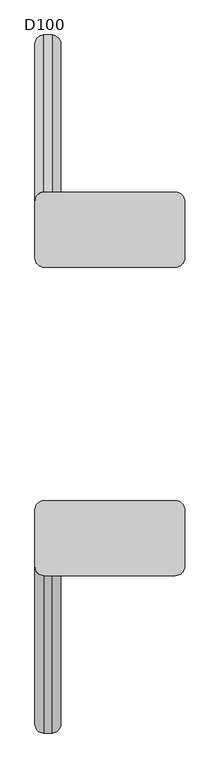
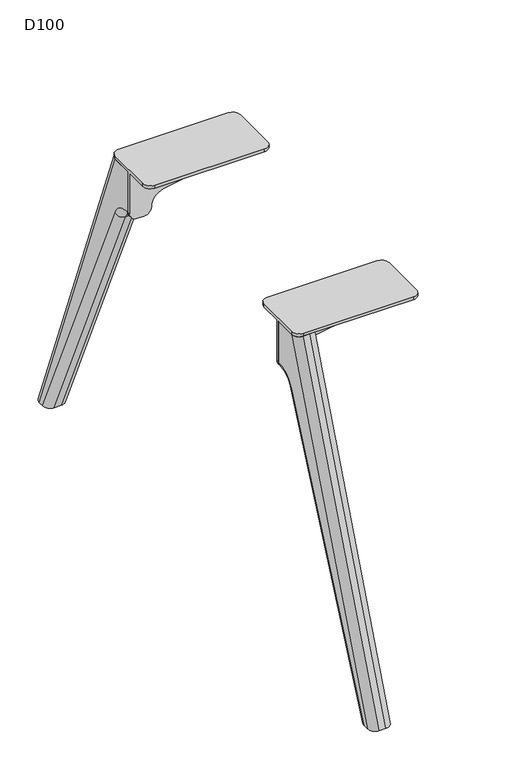
"""IFC4 building model written with IfcOpenShell, lengths in millimetres: furniture geometry, D100."""

from ifc_helpers import new_model, si_unit, point, frame, origin, place, context, project, spatial, polyline, circle_curve, ellipse_curve, trimmed, source, transform, mapped, element, save
from ifc_brep_helpers import plane_surface, cylinder_surface, revolved_surface, advanced_brep


def d100_def01eb9(model_context):
    return source(origin(), model_context, "Body", "AdvancedBrep", [
        advanced_brep(
        [(-1483.0, 202.7236545, 706.0), (-1255.0, 202.7236545, 706.0), (-1239.0, 218.7236545, 706.0), (-1239.0, 316.7236545, 706.0), (-1255.0, 332.7236545, 706.0), (-1483.0, 332.7236545, 706.0), (-1499.0, 316.7236545, 706.0), (-1499.0, 218.7236545, 706.0), (-1499.0, 316.7236545, 700.0), (-1483.0, 332.7236545, 700.0), (-1255.0, 332.7236545, 700.0), (-1239.0, 316.7236545, 700.0), (-1239.0, 270.7236545, 700.0), (-1499.0, 270.7236545, 700.0), (-1483.0, 202.7236545, 700.0), (-1499.0, 218.7236545, 700.0), (-1499.0, 264.7236545, 700.0), (-1239.0, 264.7236545, 700.0), (-1239.0, 218.7236545, 700.0), (-1255.0, 202.7236545, 700.0), (-1499.0, 270.7236545, 611.0), (-1499.0, 264.7236545, 611.0), (-1239.0, 264.7236545, 692.1898324), (-1239.0, 270.7236545, 692.1898324), (-1429.2740174, 270.7236545, 641.5327762), (-1454.0036896, 270.7236545, 611.3326759), (-1469.0, 270.7236545, 596.0), (-1484.0, 270.7236545, 596.0), (-1255.4913675, 270.7236545, 672.5), (-1429.2740174, 264.7236545, 641.5327762), (-1255.4913675, 264.7236545, 672.5), (-1484.0, 264.7236545, 596.0), (-1469.0, 264.7236545, 596.0), (-1454.0036896, 264.7236545, 611.3326759)],
        [
            (0, 1),
            (1, 2, circle_curve(frame((-1255.0, 218.7236545, 706.0), z_axis=(0.0, 0.0, 1.0), x_axis=(1.0, 0.0, 0.0)), 16.0)),
            (2, 3),
            (3, 4, circle_curve(frame((-1255.0, 316.7236545, 706.0), z_axis=(0.0, 0.0, 1.0), x_axis=(1.0, 0.0, 0.0)), 16.0)),
            (4, 5),
            (5, 6, circle_curve(frame((-1483.0, 316.7236545, 706.0), z_axis=(0.0, 0.0, 1.0), x_axis=(1.0, 0.0, 0.0)), 16.0)),
            (6, 7),
            (7, 0, circle_curve(frame((-1483.0, 218.7236545, 706.0), z_axis=(0.0, 0.0, 1.0), x_axis=(1.0, 0.0, 0.0)), 16.0)),
            (8, 9, circle_curve(frame((-1483.0, 316.7236545, 700.0), z_axis=(0.0, 0.0, -1.0), x_axis=(1.0, 0.0, 0.0)), 16.0)),
            (9, 10),
            (10, 11, circle_curve(frame((-1255.0, 316.7236545, 700.0), z_axis=(0.0, 0.0, -1.0), x_axis=(1.0, 0.0, 0.0)), 16.0)),
            (11, 12),
            (12, 13),
            (13, 8),
            (14, 15, circle_curve(frame((-1483.0, 218.7236545, 700.0), z_axis=(0.0, 0.0, -1.0), x_axis=(1.0, 0.0, 0.0)), 16.0)),
            (15, 16),
            (16, 17),
            (17, 18),
            (18, 19, circle_curve(frame((-1255.0, 218.7236545, 700.0), z_axis=(0.0, 0.0, -1.0), x_axis=(1.0, 0.0, 0.0)), 16.0)),
            (19, 14),
            (7, 15),
            (14, 0),
            (6, 8),
            (13, 20),
            (20, 21),
            (21, 16),
            (5, 9),
            (4, 10),
            (3, 11),
            (2, 18),
            (17, 22),
            (22, 23),
            (23, 12),
            (1, 19),
            (24, 25, circle_curve(frame((-1424.0110687, 270.7236545, 611.9980276), z_axis=(0.0, -1.0, 0.0), x_axis=(-1.0, 0.0, 0.0)), 30.0)),
            (25, 26, circle_curve(frame((-1469.0, 270.7236545, 611.0), z_axis=(0.0, 1.0, 0.0), x_axis=(-1.0, 0.0, 0.0)), 15.0)),
            (26, 27),
            (27, 20, circle_curve(frame((-1484.0, 270.7236545, 611.0), z_axis=(0.0, 1.0, 0.0), x_axis=(-1.0, 0.0, 0.0)), 15.0)),
            (23, 28, circle_curve(frame((-1259.0, 270.7236545, 692.1898324), z_axis=(0.0, 1.0, 0.0), x_axis=(-1.0, 0.0, 0.0)), 20.0)),
            (28, 24),
            (29, 30),
            (30, 22, circle_curve(frame((-1259.0, 264.7236545, 692.1898324), z_axis=(0.0, -1.0, 0.0), x_axis=(-1.0, 0.0, 0.0)), 20.0)),
            (21, 31, circle_curve(frame((-1484.0, 264.7236545, 611.0), z_axis=(0.0, -1.0, 0.0), x_axis=(-1.0, 0.0, 0.0)), 15.0)),
            (31, 32),
            (32, 33, circle_curve(frame((-1469.0, 264.7236545, 611.0), z_axis=(0.0, -1.0, 0.0), x_axis=(-1.0, 0.0, 0.0)), 15.0)),
            (33, 29, circle_curve(frame((-1424.0110687, 264.7236545, 611.9980276), z_axis=(0.0, 1.0, 0.0), x_axis=(-1.0, 0.0, 0.0)), 30.0)),
            (24, 29),
            (33, 25),
            (30, 28),
            (32, 26),
            (31, 27),
        ],
        [
            plane_surface(frame((-1255.0, 202.7236545, 706.0), z_axis=(0.0, 0.0, 1.0), x_axis=(1.0, 0.0, 0.0))),
            plane_surface(frame((-1255.0, 202.7236545, 700.0), z_axis=(0.0, 0.0, -1.0), x_axis=(-1.0, 0.0, 0.0))),
            cylinder_surface(frame((-1483.0, 218.7236545, 700.0), z_axis=(0.0, 0.0, 1.0), x_axis=(1.0, 0.0, 0.0)), 16.0),
            plane_surface(frame((-1499.0, 316.7236545, 706.0), z_axis=(-1.0, 0.0, 0.0), x_axis=(0.0, 0.0, -1.0))),
            cylinder_surface(frame((-1483.0, 316.7236545, 700.0), z_axis=(0.0, 0.0, 1.0), x_axis=(1.0, 0.0, 0.0)), 16.0),
            plane_surface(frame((-1255.0, 332.7236545, 706.0), z_axis=(0.0, 1.0, 0.0), x_axis=(0.0, 0.0, -1.0))),
            cylinder_surface(frame((-1255.0, 316.7236545, 700.0), z_axis=(0.0, 0.0, 1.0), x_axis=(1.0, 0.0, 0.0)), 16.0),
            plane_surface(frame((-1239.0, 218.7236545, 706.0), z_axis=(1.0, 0.0, 0.0), x_axis=(0.0, 0.0, -1.0))),
            cylinder_surface(frame((-1255.0, 218.7236545, 700.0), z_axis=(0.0, 0.0, 1.0), x_axis=(1.0, 0.0, 0.0)), 16.0),
            plane_surface(frame((-1483.0, 202.7236545, 706.0), z_axis=(0.0, -1.0, 0.0), x_axis=(0.0, 0.0, -1.0))),
            plane_surface(frame((-1454.0110687, 270.7236545, 611.9980276), z_axis=(0.0, 1.0, 0.0), x_axis=(0.0, 0.0, -1.0))),
            plane_surface(frame((-1454.0110687, 264.7236545, 611.9980276), z_axis=(0.0, -1.0, 0.0), x_axis=(0.0, 0.0, 1.0))),
            revolved_surface(polyline([(-1454.0110687, 264.7236545, 611.9980276), (-1454.0110687, 270.7236545, 611.9980276)]), (-1424.0110687, 264.7236545, 611.9980276), (0.0, -1.0, 0.0)),
            cylinder_surface(frame((-1259.0, 264.7236545, 692.1898324), z_axis=(0.0, 1.0, 0.0), x_axis=(-1.0, 0.0, 0.0)), 20.0),
            plane_surface(frame((-1255.4913675, 270.7236545, 672.5), z_axis=(0.17543162299465065, 0.0, -0.9844916178685641), x_axis=(0.0, -1.0, 0.0))),
            cylinder_surface(frame((-1469.0, 264.7236545, 611.0), z_axis=(0.0, 1.0, 0.0), x_axis=(-1.0, 0.0, 0.0)), 15.0),
            plane_surface(frame((-1469.0, 270.7236545, 596.0), z_axis=(0.0, 0.0, -1.0), x_axis=(0.0, -1.0, 0.0))),
            cylinder_surface(frame((-1484.0, 264.7236545, 611.0), z_axis=(0.0, 1.0, 0.0), x_axis=(-1.0, 0.0, 0.0)), 15.0),
        ],
        [
            (0, [[1, 2, 3, 4, 5, 6, 7, 8]]),
            (1, [[9, 10, 11, 12, 13, 14]]),
            (1, [[15, 16, 17, 18, 19, 20]]),
            (2, [[-8, 21, -15, 22]]),
            (3, [[-21, -7, 23, -14, 24, 25, 26, -16]]),
            (4, [[-6, 27, -9, -23]]),
            (5, [[-5, 28, -10, -27]]),
            (6, [[-4, 29, -11, -28]]),
            (7, [[-29, -3, 30, -18, 31, 32, 33, -12]]),
            (8, [[-2, 34, -19, -30]]),
            (9, [[-1, -22, -20, -34]]),
            (10, [[35, 36, 37, 38, -24, -13, -33, 39, 40]]),
            (11, [[41, 42, -31, -17, -26, 43, 44, 45, 46]]),
            (12, [[-35, 47, -46, 48]]),
            (13, [[-39, -32, -42, 49]]),
            (14, [[-40, -49, -41, -47]]),
            (15, [[-36, -48, -45, 50]]),
            (16, [[-37, -50, -44, 51]]),
            (17, [[-38, -51, -43, -25]]),
        ],
    ),
        advanced_brep(
        [(-1454.0, 316.6217076, 700.0), (-1454.0, 270.7236545, 700.0), (-1454.0, 270.7236545, 611.0), (-1454.0, 272.7758244, 611.0), (-1454.0, 319.3435487, 580.82862), (-1454.0, 579.4203292, 0.0), (-1454.0, 589.8218305, 0.0), (-1499.0, 270.7236545, 700.0), (-1499.0, 316.6217076, 700.0), (-1499.0, 589.8218305, 0.0), (-1499.0, 579.4203292, 0.0), (-1499.0, 319.3435487, 580.82862), (-1499.0, 272.7758244, 611.0), (-1499.0, 270.7236545, 611.0), (-1469.0, 332.7236545, 700.0), (-1484.0, 332.7236545, 700.0), (-1469.0, 605.9237773, 0.0), (-1484.0, 605.9237773, 0.0), (-1469.0, 562.9852524, 0.0), (-1484.0, 562.9852524, 0.0), (-1469.0, 305.6533176, 574.6985653), (-1484.0, 305.6533176, 574.6985653), (-1469.0, 272.7758244, 596.0), (-1484.0, 272.7758244, 596.0), (-1469.0, 270.7236545, 596.0), (-1484.0, 270.7236545, 596.0)],
        [
            (0, 1),
            (1, 2),
            (2, 3),
            (3, 4, circle_curve(frame((-1454.0, 272.7758244, 559.9770583), z_axis=(-1.0, 0.0, 0.0), x_axis=(0.0, 0.0, 1.0)), 51.0229417)),
            (4, 5),
            (5, 6),
            (6, 0),
            (7, 8),
            (8, 9),
            (9, 10),
            (10, 11),
            (11, 12, circle_curve(frame((-1499.0, 272.7758244, 559.9770583), z_axis=(1.0, 0.0, 0.0), x_axis=(0.0, 0.0, 1.0)), 51.0229417)),
            (12, 13),
            (13, 7),
            (7, 1),
            (0, 14, ellipse_curve(frame((-1469.0, 316.6217076, 700.0), z_axis=(0.0, 0.0, 1.0), x_axis=(0.0, -1.0, 0.0)), 16.1019468, 15.0)),
            (14, 15),
            (15, 8, ellipse_curve(frame((-1484.0, 316.6217076, 700.0), z_axis=(0.0, 0.0, 1.0), x_axis=(0.0, -1.0, 0.0)), 16.1019468, 15.0)),
            (14, 16),
            (16, 17),
            (17, 15),
            (16, 6, ellipse_curve(frame((-1469.0, 589.8218305, 0.0), z_axis=(0.0, 0.0, -1.0), x_axis=(0.0, -0.9999999999999999, 0.0)), 16.1019468, 15.0)),
            (5, 18, ellipse_curve(frame((-1469.0, 579.4203292, 0.0), z_axis=(0.0, 0.0, -1.0), x_axis=(0.0, 1.0, 0.0)), 16.4350768, 15.0)),
            (18, 19),
            (19, 10, ellipse_curve(frame((-1484.0, 579.4203292, 0.0), z_axis=(0.0, 0.0, -1.0), x_axis=(0.0, 1.0, 0.0)), 16.4350768, 15.0)),
            (9, 17, ellipse_curve(frame((-1484.0, 589.8218305, 0.0), z_axis=(0.0, 0.0, -1.0), x_axis=(0.0, -0.9999999999999999, 0.0)), 16.1019468, 15.0)),
            (18, 20),
            (20, 21),
            (21, 19),
            (20, 22, circle_curve(frame((-1469.0, 272.7758244, 559.9770583), z_axis=(1.0, 0.0, 0.0), x_axis=(0.0, -1.0, 0.0)), 36.0229417)),
            (22, 23),
            (23, 21, circle_curve(frame((-1484.0, 272.7758244, 559.9770583), z_axis=(-1.0, 0.0, 0.0), x_axis=(0.0, -1.0, 0.0)), 36.0229417)),
            (22, 24),
            (24, 25),
            (25, 23),
            (13, 25, circle_curve(frame((-1484.0, 270.7236545, 611.0), z_axis=(0.0, -1.0, 0.0), x_axis=(0.0, 0.0, 1.0)), 15.0)),
            (24, 2, circle_curve(frame((-1469.0, 270.7236545, 611.0), z_axis=(0.0, -1.0, 0.0), x_axis=(0.0, 0.0, 1.0)), 15.0)),
            (12, 23, circle_curve(frame((-1484.0, 272.7758244, 611.0), z_axis=(0.0, -1.0, 0.0), x_axis=(0.0, 0.0, 1.0)), 15.0)),
            (22, 3, circle_curve(frame((-1469.0, 272.7758244, 611.0), z_axis=(0.0, -1.0, 0.0), x_axis=(0.0, 0.0, 1.0)), 15.0)),
            (21, 11, circle_curve(frame((-1484.0, 319.3435487, 580.82862), z_axis=(0.0, 0.4086703164969099, -0.9126820763082375), x_axis=(0.0, 0.9126820763082375, 0.4086703164969099)), 15.0)),
            (4, 20, circle_curve(frame((-1469.0, 319.3435487, 580.82862), z_axis=(0.0, 0.4086703164969099, -0.9126820763082375), x_axis=(0.0, 0.9126820763082375, 0.4086703164969099)), 15.0)),
        ],
        [
            plane_surface(frame((-1454.0, 270.7236545, 596.0), z_axis=(1.0, 0.0, 0.0), x_axis=(0.0, 0.0, -1.0))),
            plane_surface(frame((-1499.0, 270.7236545, 596.0), z_axis=(-1.0, 0.0, 0.0), x_axis=(0.0, 0.0, 1.0))),
            plane_surface(frame((-1454.0, 332.7236545, 700.0), z_axis=(0.0, 0.0, 1.0), x_axis=(-1.0, 0.0, 0.0))),
            plane_surface(frame((-1454.0, 605.9237773, 0.0), z_axis=(0.0, 0.9315643722265751, 0.3635764299265108), x_axis=(-1.0, 0.0, 0.0))),
            plane_surface(frame((-1454.0, 562.9852524, 0.0), z_axis=(0.0, 0.0, -1.0), x_axis=(-1.0, 0.0, 0.0))),
            plane_surface(frame((-1454.0, 305.6533176, 574.6985653), z_axis=(0.0, -0.9126820763082374, -0.40867031649691016), x_axis=(-1.0, 0.0, 0.0))),
            revolved_surface(polyline([(-1484.0, 236.7528827, 559.9770583), (-1469.0, 236.7528827, 559.9770583)]), (-1499.0, 272.7758244, 559.9770583), (-1.0, 0.0, 0.0)),
            plane_surface(frame((-1454.0, 270.7236545, 596.0), z_axis=(0.0, 0.0, -1.0), x_axis=(-1.0, 0.0, 0.0))),
            plane_surface(frame((-1454.0, 270.7236545, 700.0), z_axis=(0.0, -1.0, 0.0), x_axis=(-1.0, 0.0, 0.0))),
            cylinder_surface(frame((-1484.0, 599.6644228, -25.2189296), z_axis=(0.0, -0.3635764299265101, 0.9315643722265754), x_axis=(0.0, -0.9315643722265754, -0.3635764299265101)), 15.0),
            cylinder_surface(frame((-1469.0, 599.6644228, -25.2189296), z_axis=(0.0, -0.3635764299265101, 0.9315643722265754), x_axis=(0.0, -0.9315643722265754, -0.3635764299265101)), 15.0),
            cylinder_surface(frame((-1484.0, -272.7758244, 611.0), z_axis=(0.0, 1.0, 0.0), x_axis=(0.0, 0.0, 1.0)), 15.0),
            cylinder_surface(frame((-1469.0, -272.7758244, 611.0), z_axis=(0.0, 1.0, 0.0), x_axis=(0.0, 0.0, 1.0)), 15.0),
            cylinder_surface(frame((-1484.0, 319.3435487, 580.82862), z_axis=(0.0, 0.4086703164969099, -0.9126820763082375), x_axis=(0.0, 0.9126820763082375, 0.4086703164969099)), 15.0),
            cylinder_surface(frame((-1469.0, 319.3435487, 580.82862), z_axis=(0.0, 0.4086703164969099, -0.9126820763082375), x_axis=(0.0, 0.9126820763082375, 0.4086703164969099)), 15.0),
            revolved_surface(trimmed(ellipse_curve(frame((-1484.0, 272.7758244, 611.0), z_axis=(0.0, -1.0, 0.0), x_axis=(0.0, 0.0, 1.0)), 15.0, 15.0), [point((-1499.0, 272.7758244, 611.0))], [point((-1484.0, 272.7758244, 596.0))], True, "CARTESIAN"), (-717.0, 272.7758244, 559.9770583), (-1.0, 0.0, 0.0)),
            revolved_surface(trimmed(ellipse_curve(frame((-1469.0, 272.7758244, 611.0), z_axis=(0.0, -1.0, 0.0), x_axis=(0.0, 0.0, 1.0)), 15.0, 15.0), [point((-1469.0, 272.7758244, 596.0))], [point((-1454.0, 272.7758244, 611.0))], True, "CARTESIAN"), (-717.0, 272.7758244, 559.9770583), (-1.0, 0.0, 0.0)),
        ],
        [
            (0, [[1, 2, 3, 4, 5, 6, 7]]),
            (1, [[8, 9, 10, 11, 12, 13, 14]]),
            (2, [[15, -1, 16, 17, 18, -8]]),
            (3, [[-17, 19, 20, 21]]),
            (4, [[-20, 22, -6, 23, 24, 25, -10, 26]]),
            (5, [[-24, 27, 28, 29]]),
            (6, [[-28, 30, 31, 32]]),
            (7, [[-31, 33, 34, 35]]),
            (8, [[-15, -14, 36, -34, 37, -2]]),
            (9, [[-9, -18, -21, -26]]),
            (10, [[-7, -22, -19, -16]]),
            (11, [[38, -35, -36, -13]]),
            (12, [[39, -3, -37, -33]]),
            (13, [[40, -11, -25, -29]]),
            (14, [[41, -27, -23, -5]]),
            (15, [[-38, -12, -40, -32]]),
            (16, [[-39, -30, -41, -4]]),
        ],
    ),
        advanced_brep(
        [(-1429.2740174, -270.7236545, 641.5327762), (-1255.4913675, -270.7236545, 672.5), (-1239.0, -270.7236545, 692.1898324), (-1239.0, -270.7236545, 700.0), (-1499.0, -270.7236545, 700.0), (-1499.0, -270.7236545, 611.0), (-1484.0, -270.7236545, 596.0), (-1469.0, -270.7236545, 596.0), (-1454.0036896, -270.7236545, 611.3326759), (-1429.2740174, -264.7236545, 641.5327762), (-1454.0036896, -264.7236545, 611.3326759), (-1469.0, -264.7236545, 596.0), (-1484.0, -264.7236545, 596.0), (-1499.0, -264.7236545, 611.0), (-1499.0, -264.7236545, 700.0), (-1239.0, -264.7236545, 700.0), (-1239.0, -264.7236545, 692.1898324), (-1255.4913675, -264.7236545, 672.5), (-1499.0, -218.7236545, 706.0), (-1499.0, -218.7236545, 700.0), (-1499.0, -316.7236545, 700.0), (-1499.0, -316.7236545, 706.0), (-1483.0, -332.7236545, 706.0), (-1255.0, -332.7236545, 706.0), (-1239.0, -316.7236545, 706.0), (-1239.0, -218.7236545, 706.0), (-1255.0, -202.7236545, 706.0), (-1483.0, -202.7236545, 706.0), (-1239.0, -316.7236545, 700.0), (-1239.0, -218.7236545, 700.0), (-1483.0, -202.7236545, 700.0), (-1255.0, -202.7236545, 700.0), (-1255.0, -332.7236545, 700.0), (-1483.0, -332.7236545, 700.0)],
        [
            (0, 1),
            (1, 2, circle_curve(frame((-1259.0, -270.7236545, 692.1898324), z_axis=(0.0, -1.0, 0.0), x_axis=(-1.0, 0.0, 0.0)), 20.0)),
            (2, 3),
            (3, 4),
            (4, 5),
            (5, 6, circle_curve(frame((-1484.0, -270.7236545, 611.0), z_axis=(0.0, -1.0, 0.0), x_axis=(-1.0, 0.0, 0.0)), 15.0)),
            (6, 7),
            (7, 8, circle_curve(frame((-1469.0, -270.7236545, 611.0), z_axis=(0.0, -1.0, 0.0), x_axis=(-1.0, 0.0, 0.0)), 15.0)),
            (8, 0, circle_curve(frame((-1424.0110687, -270.7236545, 611.9980276), z_axis=(0.0, 1.0, 0.0), x_axis=(-1.0, 0.0, 0.0)), 30.0)),
            (9, 10, circle_curve(frame((-1424.0110687, -264.7236545, 611.9980276), z_axis=(0.0, -1.0, 0.0), x_axis=(-1.0, 0.0, 0.0)), 30.0)),
            (10, 11, circle_curve(frame((-1469.0, -264.7236545, 611.0), z_axis=(0.0, 1.0, 0.0), x_axis=(-1.0, 0.0, 0.0)), 15.0)),
            (11, 12),
            (12, 13, circle_curve(frame((-1484.0, -264.7236545, 611.0), z_axis=(0.0, 1.0, 0.0), x_axis=(-1.0, 0.0, 0.0)), 15.0)),
            (13, 14),
            (14, 15),
            (15, 16),
            (16, 17, circle_curve(frame((-1259.0, -264.7236545, 692.1898324), z_axis=(0.0, 1.0, 0.0), x_axis=(-1.0, 0.0, 0.0)), 20.0)),
            (17, 9),
            (8, 10),
            (9, 0),
            (18, 19),
            (19, 14),
            (13, 5),
            (4, 20),
            (20, 21),
            (21, 18),
            (21, 22, circle_curve(frame((-1483.0, -316.7236545, 706.0), z_axis=(0.0, 0.0, 1.0), x_axis=(1.0, 0.0, 0.0)), 16.0)),
            (22, 23),
            (23, 24, circle_curve(frame((-1255.0, -316.7236545, 706.0), z_axis=(0.0, 0.0, 1.0), x_axis=(1.0, 0.0, 0.0)), 16.0)),
            (24, 25),
            (25, 26, circle_curve(frame((-1255.0, -218.7236545, 706.0), z_axis=(0.0, 0.0, 1.0), x_axis=(1.0, 0.0, 0.0)), 16.0)),
            (26, 27),
            (27, 18, circle_curve(frame((-1483.0, -218.7236545, 706.0), z_axis=(0.0, 0.0, 1.0), x_axis=(1.0, 0.0, 0.0)), 16.0)),
            (24, 28),
            (28, 3),
            (2, 16),
            (15, 29),
            (29, 25),
            (1, 17),
            (7, 11),
            (6, 12),
            (30, 31),
            (31, 29, circle_curve(frame((-1255.0, -218.7236545, 700.0), z_axis=(0.0, 0.0, -1.0), x_axis=(1.0, 0.0, 0.0)), 16.0)),
            (19, 30, circle_curve(frame((-1483.0, -218.7236545, 700.0), z_axis=(0.0, 0.0, -1.0), x_axis=(1.0, 0.0, 0.0)), 16.0)),
            (28, 32, circle_curve(frame((-1255.0, -316.7236545, 700.0), z_axis=(0.0, 0.0, -1.0), x_axis=(1.0, 0.0, 0.0)), 16.0)),
            (32, 33),
            (33, 20, circle_curve(frame((-1483.0, -316.7236545, 700.0), z_axis=(0.0, 0.0, -1.0), x_axis=(1.0, 0.0, 0.0)), 16.0)),
            (27, 30),
            (33, 22),
            (32, 23),
            (31, 26),
        ],
        [
            plane_surface(frame((-1255.4913675, -270.7236545, 672.5), z_axis=(0.0, -1.0, 0.0), x_axis=(0.9844916178685641, 0.0, 0.17543162299465065))),
            plane_surface(frame((-1255.4913675, -264.7236545, 672.5), z_axis=(0.0, 1.0, 0.0), x_axis=(-0.9844916178685641, 0.0, -0.17543162299465065))),
            revolved_surface(polyline([(-1454.0110687, -264.7236545, 611.9980276), (-1454.0110687, -270.7236545, 611.9980276)]), (-1424.0110687, -264.7236545, 611.9980276), (0.0, 1.0, 0.0)),
            plane_surface(frame((-1499.0, -270.7236545, 706.0), z_axis=(-1.0, 0.0, 0.0), x_axis=(0.0, 1.0, 0.0))),
            plane_surface(frame((-1239.0, -270.7236545, 706.0), z_axis=(0.0, 0.0, 1.0), x_axis=(0.0, 1.0, 0.0))),
            plane_surface(frame((-1239.0, -270.7236545, 692.1898324), z_axis=(1.0, 0.0, 0.0), x_axis=(0.0, 1.0, 0.0))),
            cylinder_surface(frame((-1259.0, -264.7236545, 692.1898324), z_axis=(0.0, -1.0, 0.0), x_axis=(-1.0, 0.0, 0.0)), 20.0),
            plane_surface(frame((-1429.2740174, -270.7236545, 641.5327762), z_axis=(0.17543162299465065, 0.0, -0.9844916178685641), x_axis=(0.0, 1.0, 0.0))),
            cylinder_surface(frame((-1469.0, -264.7236545, 611.0), z_axis=(0.0, -1.0, 0.0), x_axis=(-1.0, 0.0, 0.0)), 15.0),
            plane_surface(frame((-1484.0, -270.7236545, 596.0), z_axis=(0.0, 0.0, -1.0), x_axis=(0.0, 1.0, 0.0))),
            cylinder_surface(frame((-1484.0, -264.7236545, 611.0), z_axis=(0.0, -1.0, 0.0), x_axis=(-1.0, 0.0, 0.0)), 15.0),
            plane_surface(frame((-1467.0, -218.7236545, 700.0), z_axis=(0.0, 0.0, -1.0), x_axis=(0.0, -1.0, 0.0))),
            cylinder_surface(frame((-1483.0, -218.7236545, 700.0), z_axis=(0.0, 0.0, 1.0), x_axis=(1.0, 0.0, 0.0)), 16.0),
            cylinder_surface(frame((-1483.0, -316.7236545, 700.0), z_axis=(0.0, 0.0, 1.0), x_axis=(1.0, 0.0, 0.0)), 16.0),
            plane_surface(frame((-1483.0, -332.7236545, 706.0), z_axis=(0.0, -1.0, 0.0), x_axis=(0.0, 0.0, -1.0))),
            cylinder_surface(frame((-1255.0, -316.7236545, 700.0), z_axis=(0.0, 0.0, 1.0), x_axis=(1.0, 0.0, 0.0)), 16.0),
            cylinder_surface(frame((-1255.0, -218.7236545, 700.0), z_axis=(0.0, 0.0, 1.0), x_axis=(1.0, 0.0, 0.0)), 16.0),
            plane_surface(frame((-1255.0, -202.7236545, 706.0), z_axis=(0.0, 1.0, 0.0), x_axis=(0.0, 0.0, -1.0))),
        ],
        [
            (0, [[1, 2, 3, 4, 5, 6, 7, 8, 9]]),
            (1, [[10, 11, 12, 13, 14, 15, 16, 17, 18]]),
            (2, [[-9, 19, -10, 20]]),
            (3, [[21, 22, -14, 23, -5, 24, 25, 26]]),
            (4, [[-26, 27, 28, 29, 30, 31, 32, 33]]),
            (5, [[-30, 34, 35, -3, 36, -16, 37, 38]]),
            (6, [[-2, 39, -17, -36]]),
            (7, [[-1, -20, -18, -39]]),
            (8, [[-8, 40, -11, -19]]),
            (9, [[-7, 41, -12, -40]]),
            (10, [[-6, -23, -13, -41]]),
            (11, [[42, 43, -37, -15, -22, 44]]),
            (11, [[45, 46, 47, -24, -4, -35]]),
            (12, [[-33, 48, -44, -21]]),
            (13, [[-27, -25, -47, 49]]),
            (14, [[-28, -49, -46, 50]]),
            (15, [[-29, -50, -45, -34]]),
            (16, [[-31, -38, -43, 51]]),
            (17, [[-32, -51, -42, -48]]),
        ],
    ),
        advanced_brep(
        [(-1454.0, -270.7236545, 700.0), (-1454.0, -316.6217076, 700.0), (-1454.0, -589.8218305, 0.0), (-1454.0, -579.4203292, 0.0), (-1454.0, -319.3435487, 580.82862), (-1454.0, -272.7758244, 611.0), (-1454.0, -270.7236545, 611.0), (-1499.0, -316.6217076, 700.0), (-1499.0, -270.7236545, 700.0), (-1499.0, -270.7236545, 611.0), (-1499.0, -272.7758244, 611.0), (-1499.0, -319.3435487, 580.82862), (-1499.0, -579.4203292, 0.0), (-1499.0, -589.8218305, 0.0), (-1484.0, -332.7236545, 700.0), (-1469.0, -332.7236545, 700.0), (-1484.0, -605.9237773, 0.0), (-1469.0, -605.9237773, 0.0), (-1484.0, -562.9852524, 0.0), (-1469.0, -562.9852524, 0.0), (-1484.0, -305.6533176, 574.6985653), (-1469.0, -305.6533176, 574.6985653), (-1484.0, -272.7758244, 596.0), (-1469.0, -272.7758244, 596.0), (-1484.0, -270.7236545, 596.0), (-1469.0, -270.7236545, 596.0)],
        [
            (0, 1),
            (1, 2),
            (2, 3),
            (3, 4),
            (4, 5, circle_curve(frame((-1454.0, -272.7758244, 559.9770583), z_axis=(-1.0, 0.0, 0.0), x_axis=(0.0, -0.9126820763082378, 0.4086703164969091)), 51.0229417)),
            (5, 6),
            (6, 0),
            (7, 8),
            (8, 9),
            (9, 10),
            (10, 11, circle_curve(frame((-1499.0, -272.7758244, 559.9770583), z_axis=(1.0, 0.0, 0.0), x_axis=(0.0, -0.9126820763082378, 0.4086703164969091)), 51.0229417)),
            (11, 12),
            (12, 13),
            (13, 7),
            (0, 8),
            (7, 14, ellipse_curve(frame((-1484.0, -316.6217076, 700.0), z_axis=(0.0, 0.0, 1.0), x_axis=(0.0, 1.0, 0.0)), 16.1019468, 15.0)),
            (14, 15),
            (15, 1, ellipse_curve(frame((-1469.0, -316.6217076, 700.0), z_axis=(0.0, 0.0, 1.0), x_axis=(0.0, 1.0, 0.0)), 16.1019468, 15.0)),
            (13, 16, ellipse_curve(frame((-1484.0, -589.8218305, 0.0), z_axis=(0.0, 0.0, 1.0), x_axis=(0.0, 0.9999999999999999, 0.0)), 16.1019468, 15.0)),
            (16, 14),
            (15, 17),
            (17, 2, ellipse_curve(frame((-1469.0, -589.8218305, 0.0), z_axis=(0.0, 0.0, 1.0), x_axis=(0.0, 0.9999999999999999, 0.0)), 16.1019468, 15.0)),
            (16, 17),
            (12, 18, ellipse_curve(frame((-1484.0, -579.4203292, 0.0), z_axis=(0.0, 0.0, -1.0), x_axis=(0.0, 1.0, 0.0)), 16.4350768, 15.0)),
            (18, 19),
            (19, 3, ellipse_curve(frame((-1469.0, -579.4203292, 0.0), z_axis=(0.0, 0.0, -1.0), x_axis=(0.0, 1.0, 0.0)), 16.4350768, 15.0)),
            (18, 20),
            (20, 21),
            (21, 19),
            (20, 22, circle_curve(frame((-1484.0, -272.7758244, 559.9770583), z_axis=(-1.0, 0.0, 0.0), x_axis=(0.0, 1.0, 0.0)), 36.0229417)),
            (22, 23),
            (23, 21, circle_curve(frame((-1469.0, -272.7758244, 559.9770583), z_axis=(1.0, 0.0, 0.0), x_axis=(0.0, 1.0, 0.0)), 36.0229417)),
            (22, 24),
            (24, 25),
            (25, 23),
            (6, 25, circle_curve(frame((-1469.0, -270.7236545, 611.0), z_axis=(0.0, 1.0, 0.0), x_axis=(0.0, 0.0, 1.0)), 15.0)),
            (24, 9, circle_curve(frame((-1484.0, -270.7236545, 611.0), z_axis=(0.0, 1.0, 0.0), x_axis=(0.0, 0.0, 1.0)), 15.0)),
            (11, 20, circle_curve(frame((-1484.0, -319.3435487, 580.82862), z_axis=(0.0, -0.40867031649690977, -0.9126820763082376), x_axis=(0.0, -0.9126820763082376, 0.40867031649690977)), 15.0)),
            (21, 4, circle_curve(frame((-1469.0, -319.3435487, 580.82862), z_axis=(0.0, -0.40867031649690977, -0.9126820763082376), x_axis=(0.0, -0.9126820763082376, 0.40867031649690977)), 15.0)),
            (22, 10, circle_curve(frame((-1484.0, -272.7758244, 611.0), z_axis=(0.0, 1.0, 0.0), x_axis=(0.0, 0.0, 1.0)), 15.0)),
            (5, 23, circle_curve(frame((-1469.0, -272.7758244, 611.0), z_axis=(0.0, 1.0, 0.0), x_axis=(0.0, 0.0, 1.0)), 15.0)),
        ],
        [
            plane_surface(frame((-1454.0, -291.5455549, 700.0), z_axis=(1.0, 0.0, 0.0), x_axis=(0.0, -1.0, 0.0))),
            plane_surface(frame((-1499.0, -291.5455549, 700.0), z_axis=(-1.0, 0.0, 0.0), x_axis=(0.0, 1.0, 0.0))),
            plane_surface(frame((-1454.0, -270.7236545, 700.0), z_axis=(0.0, 0.0, 1.0), x_axis=(-1.0, 0.0, 0.0))),
            cylinder_surface(frame((-1484.0, -599.6644228, -25.2189296), z_axis=(0.0, 0.3635764299265101, 0.9315643722265754), x_axis=(0.0, -0.9315643722265754, 0.3635764299265101)), 15.0),
            cylinder_surface(frame((-1469.0, -599.6644228, -25.2189296), z_axis=(0.0, 0.3635764299265101, 0.9315643722265754), x_axis=(0.0, -0.9315643722265754, 0.3635764299265101)), 15.0),
            plane_surface(frame((-1454.0, -332.7236545, 700.0), z_axis=(0.0, -0.9315643722265751, 0.3635764299265108), x_axis=(-1.0, 0.0, 0.0))),
            plane_surface(frame((-1454.0, -605.9237773, 0.0), z_axis=(0.0, 0.0, -1.0), x_axis=(-1.0, 0.0, 0.0))),
            plane_surface(frame((-1454.0, -562.9852524, 0.0), z_axis=(0.0, 0.9126820763082374, -0.40867031649691016), x_axis=(-1.0, 0.0, 0.0))),
            revolved_surface(polyline([(-1484.0, -236.7528827, 559.9770583), (-1469.0, -236.7528827, 559.9770583)]), (-1499.0, -272.7758244, 559.9770583), (-1.0, 0.0, 0.0)),
            plane_surface(frame((-1454.0, -272.7758244, 596.0), z_axis=(0.0, 0.0, -1.0), x_axis=(-1.0, 0.0, 0.0))),
            plane_surface(frame((-1454.0, -270.7236545, 596.0), z_axis=(0.0, 1.0, 0.0), x_axis=(-1.0, 0.0, 0.0))),
            cylinder_surface(frame((-1484.0, -584.7803586, -11.9705362), z_axis=(0.0, 0.40867031649690977, 0.9126820763082376), x_axis=(0.0, -0.9126820763082376, 0.40867031649690977)), 15.0),
            cylinder_surface(frame((-1469.0, -584.7803586, -11.9705362), z_axis=(0.0, 0.40867031649690977, 0.9126820763082376), x_axis=(0.0, -0.9126820763082376, 0.40867031649690977)), 15.0),
            cylinder_surface(frame((-1484.0, -272.7758244, 611.0), z_axis=(0.0, 1.0, 0.0), x_axis=(0.0, 0.0, 1.0)), 15.0),
            cylinder_surface(frame((-1469.0, -272.7758244, 611.0), z_axis=(0.0, 1.0, 0.0), x_axis=(0.0, 0.0, 1.0)), 15.0),
            revolved_surface(trimmed(ellipse_curve(frame((-1484.0, -319.3435487, 580.82862), z_axis=(0.0, -0.4086703164969089, -0.9126820763082379), x_axis=(0.0, -0.9126820763082379, 0.4086703164969089)), 15.0, 15.0), [point((-1499.0, -319.3435487, 580.82862))], [point((-1484.0, -305.6533176, 574.6985653))], True, "CARTESIAN"), (-717.0, -272.7758244, 559.9770583), (-1.0, 0.0, 0.0)),
            revolved_surface(trimmed(ellipse_curve(frame((-1469.0, -319.3435487, 580.82862), z_axis=(0.0, -0.4086703164969089, -0.9126820763082379), x_axis=(0.0, -0.9126820763082379, 0.4086703164969089)), 15.0, 15.0), [point((-1469.0, -305.6533176, 574.6985653))], [point((-1454.0, -319.3435487, 580.82862))], True, "CARTESIAN"), (-717.0, -272.7758244, 559.9770583), (-1.0, 0.0, 0.0)),
        ],
        [
            (0, [[1, 2, 3, 4, 5, 6, 7]]),
            (1, [[8, 9, 10, 11, 12, 13, 14]]),
            (2, [[15, -8, 16, 17, 18, -1]]),
            (3, [[-14, 19, 20, -16]]),
            (4, [[-2, -18, 21, 22]]),
            (5, [[-17, -20, 23, -21]]),
            (6, [[-23, -19, -13, 24, 25, 26, -3, -22]]),
            (7, [[-25, 27, 28, 29]]),
            (8, [[-28, 30, 31, 32]]),
            (9, [[-31, 33, 34, 35]]),
            (10, [[-15, -7, 36, -34, 37, -9]]),
            (11, [[38, -27, -24, -12]]),
            (12, [[39, -4, -26, -29]]),
            (13, [[40, -10, -37, -33]]),
            (14, [[41, -35, -36, -6]]),
            (15, [[-38, -11, -40, -30]]),
            (16, [[-39, -32, -41, -5]]),
        ],
    ),
    ])


if __name__ == "__main__":
    model = new_model("IFC4")
    model_context = context("Model", 3, world=origin())
    ifc_project = project(units=[si_unit("LENGTHUNIT", "METRE", prefix="MILLI")], contexts=[model_context])
    site = spatial("IfcSite", under=ifc_project)
    building = spatial("IfcBuilding", under=site)
    placement = place(None, origin())
    d100_shape = d100_def01eb9(model_context)
    element("IfcFurniture", 1, ObjectType="D100", at=placement, inside=building, context=model_context, shape_type="MappedRepresentation", body=[
        mapped(d100_shape, transform((0.0, 0.0, 0.0), x_axis=(1.0, 0.0, 0.0), y_axis=(0.0, 1.0, 0.0), z_axis=(0.0, 0.0, 1.0))),
    ])
    save(model, "model.ifc")
